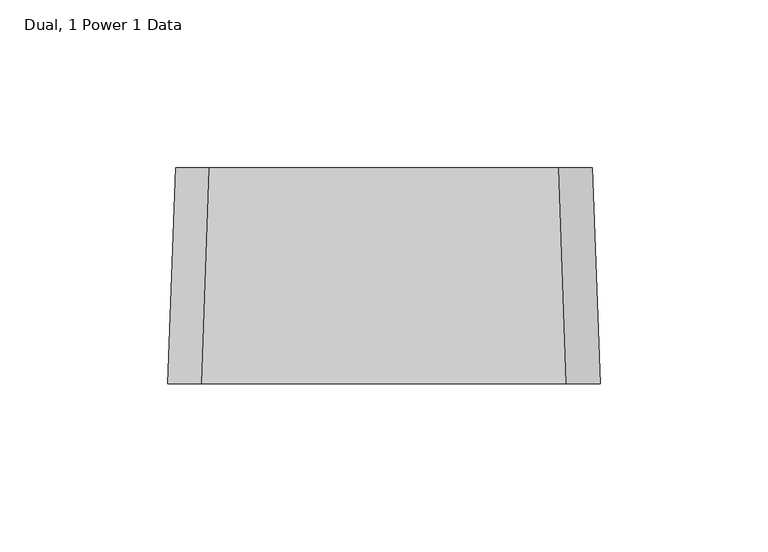
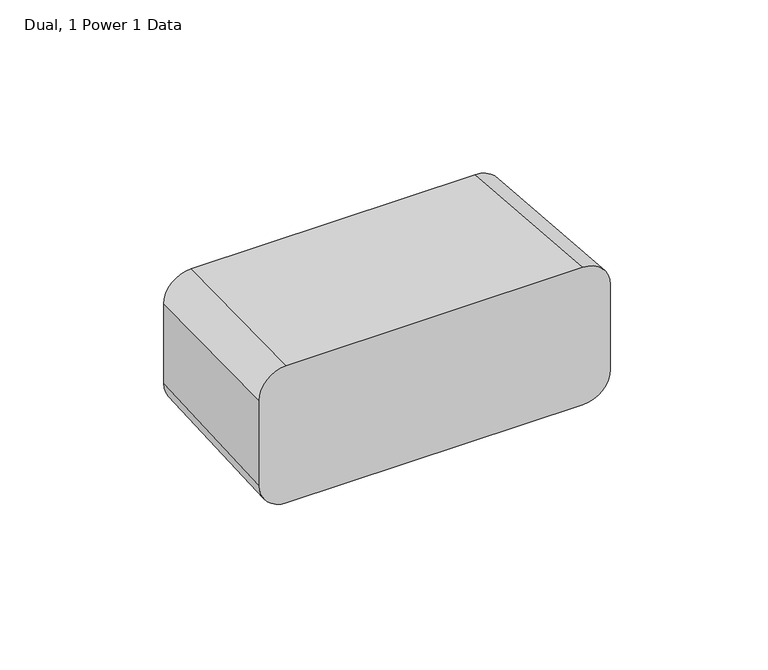
"""IFC4 building model written with IfcOpenShell, lengths in millimetres: proxy geometry, Dual, 1 Power 1 Data."""

from ifc_helpers import new_model, si_unit, point, frame, origin, place, context, project, spatial, circle_curve, trimmed, source, transform, mapped, element, save
from ifc_brep_helpers import plane_surface, extruded_surface, advanced_brep


def dual_1_power_1_data_70394452(model_context):
    return source(origin(), model_context, "Body", "AdvancedBrep", [
        advanced_brep(
        [(64.29375, -121.025, 779.6349345), (54.2466533, -121.025, 789.6820312), (-54.2726563, -121.025, 789.6820312), (-64.29375, -121.025, 779.6609375), (-64.29375, -121.025, 746.6210938), (-54.2726563, -121.025, 736.6), (54.2726562, -121.025, 736.6), (64.29375, -121.025, 746.6210938), (62.0325311, -56.775, 777.3489345), (62.0325311, -56.775, 746.6210938), (52.0114374, -56.775, 736.6), (-52.0114374, -56.775, 736.6), (-62.0325311, -56.775, 746.6210938), (-62.0325311, -56.775, 777.3749375), (-52.0114374, -56.775, 787.3960312), (51.9854344, -56.775, 787.3960312)],
        [
            (0, 1, circle_curve(frame((54.2466533, -121.025, 779.6349345), z_axis=(0.0, -1.0, 0.0), x_axis=(1.0, 0.0, 0.0)), 10.0470967)),
            (1, 2),
            (2, 3, circle_curve(frame((-54.2726563, -121.025, 779.6609375), z_axis=(0.0, -1.0, 0.0), x_axis=(1.0, 0.0, 0.0)), 10.0210938)),
            (3, 4),
            (4, 5, circle_curve(frame((-54.2726563, -121.025, 746.6210938), z_axis=(0.0, -1.0, 0.0), x_axis=(1.0, 0.0, 0.0)), 10.0210938)),
            (5, 6),
            (6, 7, circle_curve(frame((54.2726562, -121.025, 746.6210938), z_axis=(0.0, -1.0, 0.0), x_axis=(1.0, 0.0, 0.0)), 10.0210938)),
            (7, 0),
            (8, 9),
            (9, 10, circle_curve(frame((52.0114374, -56.775, 746.6210938), z_axis=(0.0, 1.0, 0.0), x_axis=(1.0, 0.0, 0.0)), 10.0210938)),
            (10, 11),
            (11, 12, circle_curve(frame((-52.0114374, -56.775, 746.6210938), z_axis=(0.0, 1.0, 0.0), x_axis=(1.0, 0.0, 0.0)), 10.0210938)),
            (12, 13),
            (13, 14, circle_curve(frame((-52.0114374, -56.775, 777.3749375), z_axis=(0.0, 1.0, 0.0), x_axis=(1.0, 0.0, 0.0)), 10.0210938)),
            (14, 15),
            (15, 8, circle_curve(frame((51.9854344, -56.775, 777.3489345), z_axis=(0.0, 1.0, 0.0), x_axis=(1.0, 0.0, 0.0)), 10.0470967)),
            (15, 1),
            (0, 8),
            (14, 2),
            (13, 3),
            (12, 4),
            (11, 5),
            (10, 6),
            (9, 7),
        ],
        [
            plane_surface(frame((-0.0032504, -121.025, 763.1377653), z_axis=(0.0, -1.0, 0.0), x_axis=(0.0, 0.0, 1.0))),
            plane_surface(frame((-0.0032504, -56.775, 761.9947653), z_axis=(0.0, 1.0, 0.0), x_axis=(0.0, 0.0, 1.0))),
            extruded_surface(trimmed(circle_curve(frame((51.9854344, -56.775, 777.3489345), z_axis=(0.0, -1.0, 0.0), x_axis=(1.0, 0.0, 0.0)), 10.0470967), [point((62.0325311, -56.775, 777.3489345))], [point((51.9854344, -56.775, 787.3960312))], True, "CARTESIAN"), (2.261218899999996, -64.25, 2.2859999999999445), 64.33040810467253),
            plane_surface(frame((-0.0130015, -56.775, 787.3960312), z_axis=(0.0, 0.03555726733113258, 0.9993676404306587), x_axis=(-1.0, 0.0, 0.0))),
            extruded_surface(trimmed(circle_curve(frame((-52.0114374, -56.775, 777.3749375), z_axis=(0.0, -1.0, 0.0), x_axis=(1.0, 0.0, 0.0)), 10.0210938), [point((-52.0114374, -56.775, 787.3960312))], [point((-62.0325311, -56.775, 777.3749375))], True, "CARTESIAN"), (-2.261218900000003, -64.25, 2.286000000000058), 64.33040810467253),
            plane_surface(frame((-62.0325311, -56.775, 761.9980156), z_axis=(-0.9993812635186015, 0.03517229204876779, 0.0), x_axis=(0.0, 0.0, -1.0))),
            extruded_surface(trimmed(circle_curve(frame((-52.0114374, -56.775, 746.6210938), z_axis=(0.0, -1.0, 0.0), x_axis=(1.0, 0.0, 0.0)), 10.0210938), [point((-62.0325311, -56.775, 746.6210938))], [point((-52.0114374, -56.775, 736.6))], True, "CARTESIAN"), (-2.261218900000003, -64.25, 0.0), 64.28977843260714),
            plane_surface(frame((0.0, -56.775, 736.6), z_axis=(0.0, 0.0, -1.0), x_axis=(1.0, 0.0, 0.0))),
            extruded_surface(trimmed(circle_curve(frame((52.0114374, -56.775, 746.6210938), z_axis=(0.0, -1.0, 0.0), x_axis=(1.0, 0.0, 0.0)), 10.0210938), [point((52.0114374, -56.775, 736.6))], [point((62.0325311, -56.775, 746.6210938))], True, "CARTESIAN"), (2.2612188000000017, -64.25, 0.0), 64.2897784290899),
            plane_surface(frame((62.0325311, -56.775, 761.9850141), z_axis=(0.999381263518611, 0.03517229204849454, 0.0), x_axis=(0.0, 0.0, 1.0))),
        ],
        [
            (0, [[1, 2, 3, 4, 5, 6, 7, 8]]),
            (1, [[9, 10, 11, 12, 13, 14, 15, 16]]),
            (2, [[-16, 17, -1, 18]]),
            (3, [[-15, 19, -2, -17]]),
            (4, [[-14, 20, -3, -19]]),
            (5, [[-13, 21, -4, -20]]),
            (6, [[-12, 22, -5, -21]]),
            (7, [[-11, 23, -6, -22]]),
            (8, [[-10, 24, -7, -23]]),
            (9, [[-9, -18, -8, -24]]),
        ],
    ),
    ])


if __name__ == "__main__":
    model = new_model("IFC4")
    model_context = context("Model", 3, world=origin())
    ifc_project = project(units=[si_unit("LENGTHUNIT", "METRE", prefix="MILLI")], contexts=[model_context])
    site = spatial("IfcSite", under=ifc_project)
    building = spatial("IfcBuilding", under=site)
    placement = place(None, origin())
    dual_1_power_1_data_shape = dual_1_power_1_data_70394452(model_context)
    element("IfcBuildingElementProxy", 1, Name="Dual, 1 Power 1 Data", ObjectType="Dual, 1 Power 1 Data", at=placement, inside=building, context=model_context, shape_type="MappedRepresentation", body=[
        mapped(dual_1_power_1_data_shape, transform((0.0, 0.0, 0.0), x_axis=(1.0, 0.0, 0.0), y_axis=(0.0, 1.0, 0.0), z_axis=(0.0, 0.0, 1.0))),
    ])
    save(model, "model.ifc")
